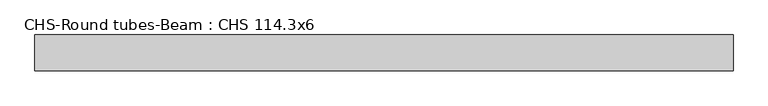
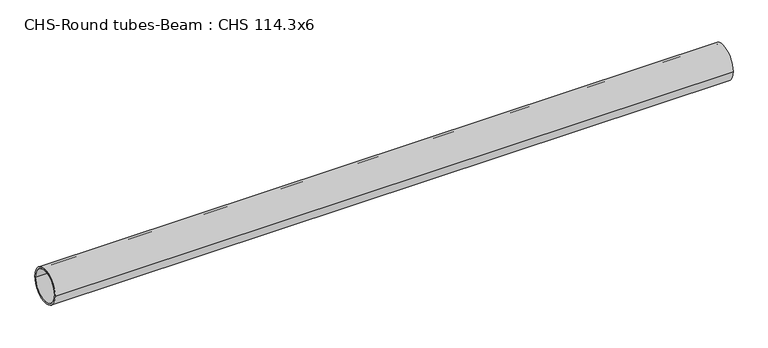
"""IFC4 building model written with IfcOpenShell, lengths in millimetres: beam geometry, CHS-Round tubes-Beam : CHS 114.3x6."""

from ifc_helpers import new_model, si_unit, point, frame, origin, origin_2d, place, context, project, spatial, circle_curve, trimmed, segment, composite_curve, outline, extrude, source, transform, mapped, element, save


def chs_round_tubes_beam_chs_114_3x6_683a7d27(model_context):
    return source(origin(), model_context, "Body", "SweptSolid", [
        extrude(outline(composite_curve([segment(trimmed(circle_curve(origin_2d(), 57.15), [point((57.15, 0.0))], [point((-57.15, 0.0))], False, "CARTESIAN"), True, "CONTINUOUS"), segment(trimmed(circle_curve(origin_2d(), 57.15), [point((-57.15, 0.0))], [point((57.15, 0.0))], False, "CARTESIAN"), True, "CONTINUOUS")], self_intersect=False), holes=[composite_curve([segment(trimmed(circle_curve(origin_2d(), 51.15), [point((51.15, 0.0))], [point((-51.15, 0.0))], True, "CARTESIAN"), True, "CONTINUOUS"), segment(trimmed(circle_curve(origin_2d(), 51.15), [point((-51.15, 0.0))], [point((51.15, 0.0))], True, "CARTESIAN"), True, "CONTINUOUS")], self_intersect=False)]), frame((-992.299976, 0.0, 0.0), z_axis=(1.0, 0.0, 0.0), x_axis=(0.0, 1.0, 0.0)), (0.0, 0.0, 1.0), 2214.3609265),
    ])


if __name__ == "__main__":
    model = new_model("IFC4")
    model_context = context("Model", 3, world=origin())
    ifc_project = project(units=[si_unit("LENGTHUNIT", "METRE", prefix="MILLI")], contexts=[model_context])
    site = spatial("IfcSite", under=ifc_project)
    building = spatial("IfcBuilding", under=site)
    placement = place(None, origin())
    chs_round_tubes_beam_chs_114_3x6_shape = chs_round_tubes_beam_chs_114_3x6_683a7d27(model_context)
    element("IfcBeam", 1, ObjectType="CHS-Round tubes-Beam : CHS 114.3x6", at=placement, inside=building, context=model_context, shape_type="MappedRepresentation", body=[
        mapped(chs_round_tubes_beam_chs_114_3x6_shape, transform((0.0, 0.0, 0.0), x_axis=(1.0, 0.0, 0.0), y_axis=(0.0, 1.0, 0.0), z_axis=(0.0, 0.0, 1.0))),
    ])
    save(model, "model.ifc")
